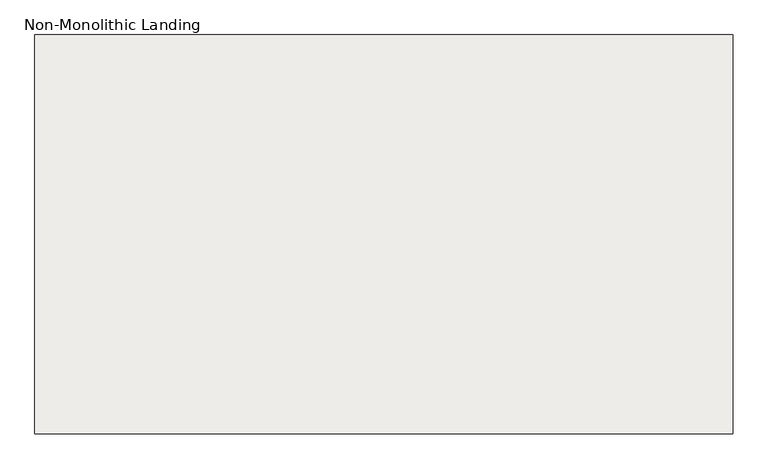
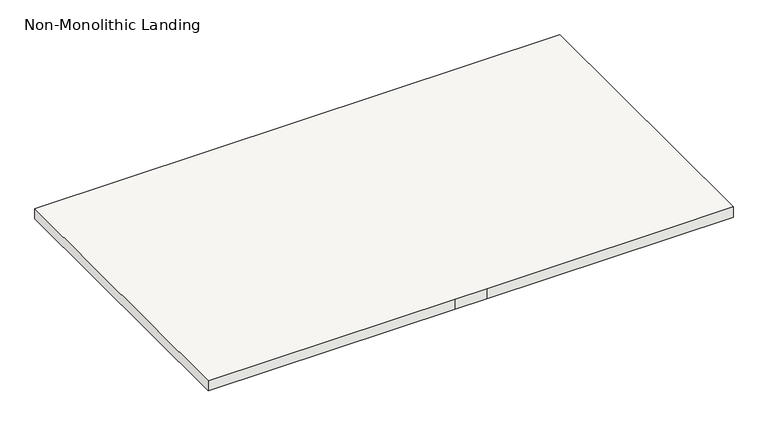
"""IFC4 building model written with IfcOpenShell, lengths in millimetres: slab geometry, Non-Monolithic Landing."""

from ifc_helpers import new_model, si_unit, frame, origin, place, context, project, spatial, polyline, outline, extrude, source, transform, mapped, element, save


def non_monolithic_landing_48e0ae69(model_context):
    return source(origin(), model_context, "Body", "SweptSolid", [
        extrude(outline(polyline([(383.6347234, -9372.365151), (383.6347234, -7972.365151), (2834.355623, -7972.365151), (2834.355623, -9372.365151), (1684.355623, -9372.365151), (1534.355623, -9372.365151), (383.6347234, -9372.365151)])), frame((0.0, 0.0, 13450.0), z_axis=(0.0, 0.0, 1.0), x_axis=(1.0, 0.0, 0.0)), (0.0, 0.0, 1.0), 50.0),
    ])


if __name__ == "__main__":
    model = new_model("IFC4")
    model_context = context("Model", 3, world=origin())
    ifc_project = project(units=[si_unit("LENGTHUNIT", "METRE", prefix="MILLI")], contexts=[model_context])
    site = spatial("IfcSite", under=ifc_project)
    building = spatial("IfcBuilding", under=site)
    placement = place(None, origin())
    non_monolithic_landing_shape = non_monolithic_landing_48e0ae69(model_context)
    element("IfcSlab", 1, ObjectType="Non-Monolithic Landing", at=placement, inside=building, context=model_context, shape_type="MappedRepresentation", body=[
        mapped(non_monolithic_landing_shape, transform((0.0, 0.0, 0.0), x_axis=(1.0, 0.0, 0.0), y_axis=(0.0, 1.0, 0.0), z_axis=(0.0, 0.0, 1.0))),
    ])
    save(model, "model.ifc")
